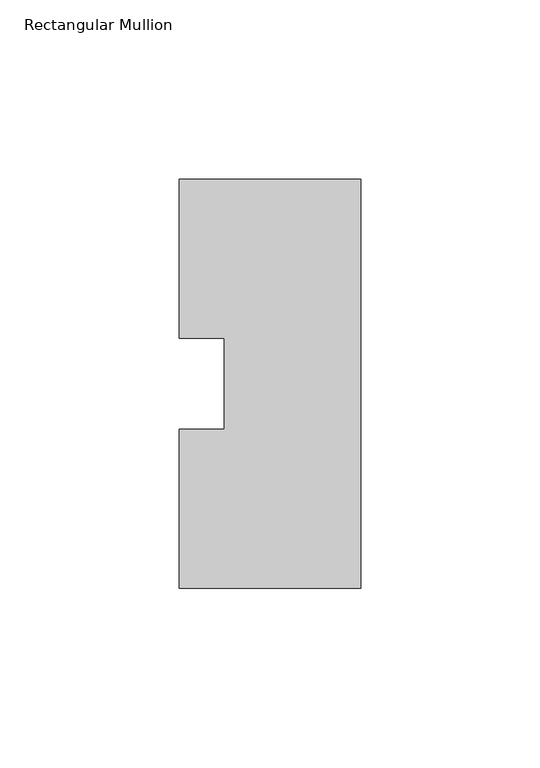
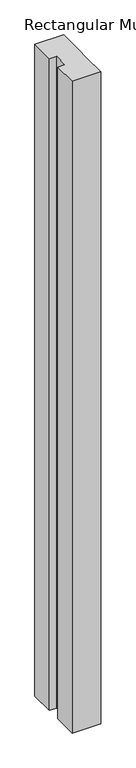
"""IFC4 building model written with IfcOpenShell, lengths in millimetres: member geometry, Rectangular Mullion."""

from ifc_helpers import new_model, si_unit, frame, origin, place, context, project, spatial, polyline, outline, extrude, source, transform, mapped, element, save


def rectangular_mullion_7ff769b0(model_context):
    return source(origin(), model_context, "Body", "SweptSolid", [
        extrude(outline(polyline([(29.7344027, 57.15), (29.7344027, 12.7), (29.7344027, -12.7), (29.7344027, -57.15), (-21.0655973, -57.15), (-21.0655973, -12.7), (-8.3655973, -12.7), (-8.3655973, 12.7), (-21.0655973, 12.7), (-21.0655973, 57.15), (29.7344027, 57.15)])), frame((0.0, 0.0, -1219.2), z_axis=(0.0, 0.0, 1.0), x_axis=(1.0, 0.0, 0.0)), (0.0, 0.0, 1.0), 1219.2),
    ])


if __name__ == "__main__":
    model = new_model("IFC4")
    model_context = context("Model", 3, world=origin())
    ifc_project = project(units=[si_unit("LENGTHUNIT", "METRE", prefix="MILLI")], contexts=[model_context])
    site = spatial("IfcSite", under=ifc_project)
    building = spatial("IfcBuilding", under=site)
    placement = place(None, origin())
    rectangular_mullion_shape = rectangular_mullion_7ff769b0(model_context)
    element("IfcMember", 1, ObjectType="Rectangular Mullion", at=placement, inside=building, context=model_context, shape_type="MappedRepresentation", body=[
        mapped(rectangular_mullion_shape, transform((0.0, 0.0, 0.0), x_axis=(1.0, 0.0, 0.0), y_axis=(0.0, 1.0, 0.0), z_axis=(0.0, 0.0, 1.0))),
    ])
    save(model, "model.ifc")
